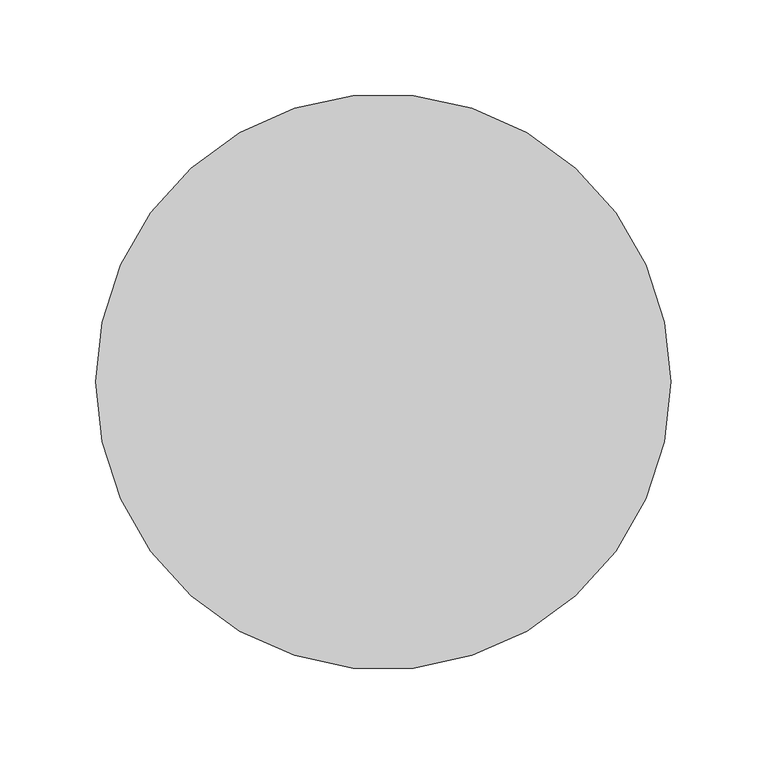
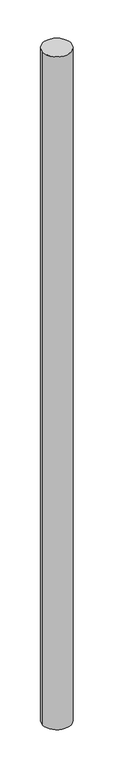
"""IFC4 building model written with IfcOpenShell, lengths in millimetres: column geometry."""

from ifc_helpers import new_model, si_unit, point, origin, origin_with_axes, origin_2d, place, context, project, spatial, circle_curve, trimmed, segment, composite_curve, outline, extrude, source, transform, mapped, element, save


def column_af7e6a65(model_context):
    return source(origin(), model_context, "Body", "SweptSolid", [
        extrude(outline(composite_curve([segment(trimmed(circle_curve(origin_2d(), 150.0), [point((-150.0, 0.0))], [point((150.0, 0.0))], False, "CARTESIAN"), True, "CONTINUOUS"), segment(trimmed(circle_curve(origin_2d(), 150.0), [point((150.0, 0.0))], [point((-150.0, 0.0))], False, "CARTESIAN"), True, "CONTINUOUS")], self_intersect=False)), origin_with_axes(), (0.0, 0.0, 1.0), 7600.0),
    ])


if __name__ == "__main__":
    model = new_model("IFC4")
    model_context = context("Model", 3, world=origin())
    ifc_project = project(units=[si_unit("LENGTHUNIT", "METRE", prefix="MILLI")], contexts=[model_context])
    site = spatial("IfcSite", under=ifc_project)
    building = spatial("IfcBuilding", under=site)
    placement = place(None, origin())
    column_shape = column_af7e6a65(model_context)
    element("IfcColumn", 1, at=placement, inside=building, context=model_context, shape_type="MappedRepresentation", body=[
        mapped(column_shape, transform((0.0, 0.0, 0.0), x_axis=(1.0, 0.0, 0.0), y_axis=(0.0, 1.0, 0.0), z_axis=(0.0, 0.0, 1.0))),
    ])
    save(model, "model.ifc")
